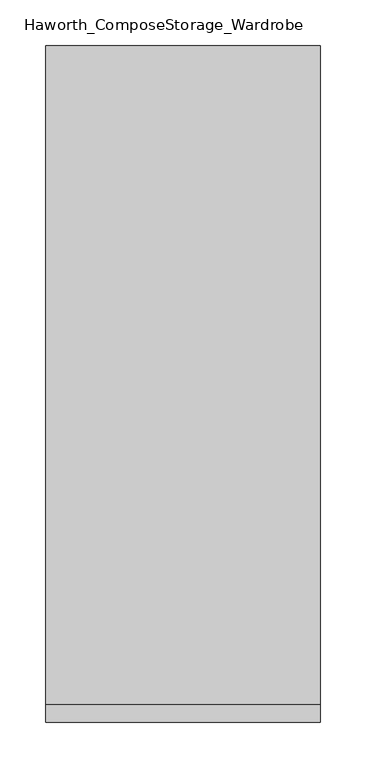
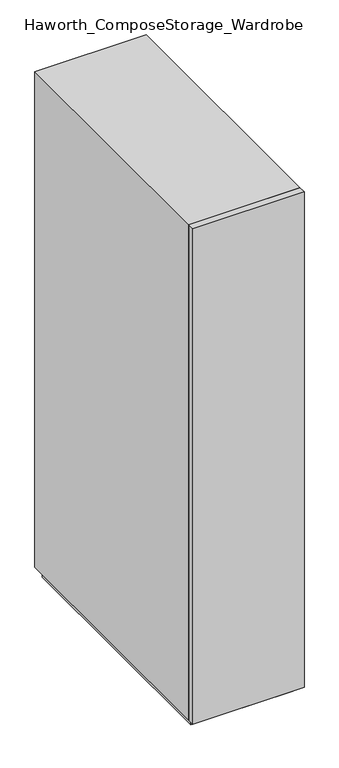
"""IFC4 building model written with IfcOpenShell, lengths in millimetres: furniture geometry, Haworth_ComposeStorage_Wardrobe."""

from ifc_helpers import new_model, si_unit, frame, origin, origin_with_axes, place, context, project, spatial, polyline, outline, extrude, faceted_brep, source, transform, mapped, element, save


def haworth_composestorage_wardrobe_39bd6341(model_context):
    return source(origin(), model_context, "Body", "SolidModel", [
        extrude(outline(polyline([(150.8263906, -381.0), (-150.7986094, -381.0), (-150.7986094, -361.95), (150.8263906, -361.95), (150.8263906, -381.0)])), frame((0.0, 0.0, 25.4), z_axis=(0.0, 0.0, 1.0), x_axis=(1.0, 0.0, 0.0)), (0.0, 0.0, 1.0), 1422.4),
        faceted_brep([(-150.7986094, -361.95, 25.4), (150.8263906, -361.95, 25.4), (150.8263906, -361.95, 1447.8), (-150.7986094, -361.95, 1447.8), (-131.7486094, -361.95, 44.45), (-131.7486094, -361.95, 1428.75), (131.7486094, -361.95, 1428.75), (131.7486094, -361.95, 44.45), (-150.7986094, 361.95, 25.4), (-150.7986094, 361.95, 1447.8), (150.8263906, 361.95, 1447.8), (150.8263906, 361.95, 25.4), (-131.7486094, 342.9, 44.45), (-131.7486094, 342.9, 1428.75), (131.7486094, 342.9, 1428.75), (131.7486094, 342.9, 44.45)], [[[0, 1, 2, 3], [4, 5, 6, 7]], [[8, 9, 10, 11]], [[1, 0, 8, 11]], [[2, 1, 11, 10]], [[3, 2, 10, 9]], [[0, 3, 9, 8]], [[5, 4, 12, 13]], [[6, 5, 13, 14]], [[7, 6, 14, 15]], [[4, 7, 15, 12]], [[13, 12, 15, 14]]]),
        extrude(outline(polyline([(138.1263906, -349.25), (-138.0986094, -349.25), (-138.0986094, 349.25), (138.1263906, 349.25), (138.1263906, -349.25)])), origin_with_axes(), (0.0, 0.0, 1.0), 25.4),
    ])


if __name__ == "__main__":
    model = new_model("IFC4")
    model_context = context("Model", 3, world=origin())
    ifc_project = project(units=[si_unit("LENGTHUNIT", "METRE", prefix="MILLI")], contexts=[model_context])
    site = spatial("IfcSite", under=ifc_project)
    building = spatial("IfcBuilding", under=site)
    placement = place(None, origin())
    haworth_composestorage_wardrobe_shape = haworth_composestorage_wardrobe_39bd6341(model_context)
    element("IfcFurniture", 1, ObjectType="Haworth_ComposeStorage_Wardrobe", at=placement, inside=building, context=model_context, shape_type="MappedRepresentation", body=[
        mapped(haworth_composestorage_wardrobe_shape, transform((0.0, 0.0, 0.0), x_axis=(1.0, 0.0, 0.0), y_axis=(0.0, 1.0, 0.0), z_axis=(0.0, 0.0, 1.0))),
    ])
    save(model, "model.ifc")
